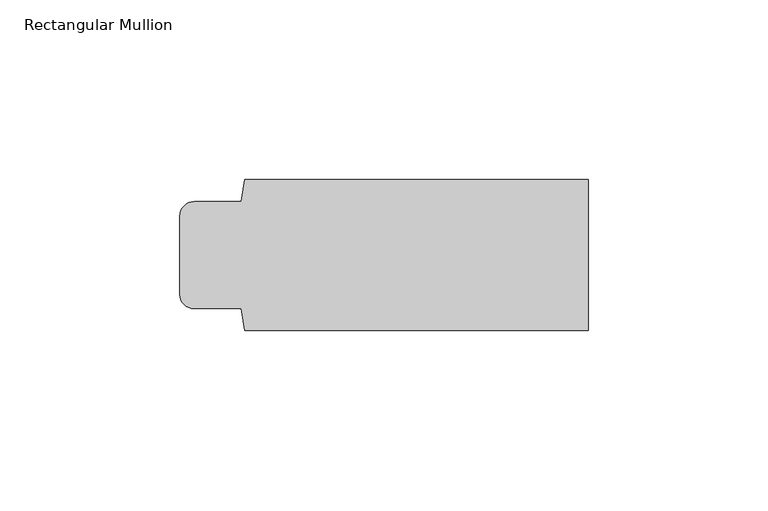
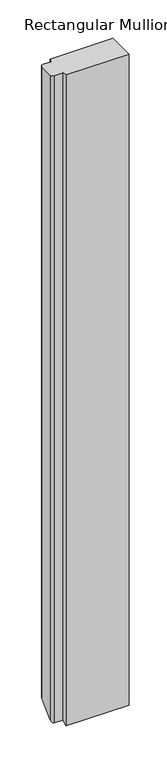
"""IFC4 building model written with IfcOpenShell, lengths in millimetres: member geometry, Rectangular Mullion."""

from ifc_helpers import new_model, si_unit, frame, origin, place, context, project, spatial, circle_curve, ellipse_curve, source, transform, mapped, element, save
from ifc_brep_helpers import plane_surface, cylinder_surface, advanced_brep


def rectangular_mullion_0cdfcd2c(model_context):
    return source(origin(), model_context, "Body", "AdvancedBrep", [
        advanced_brep(
        [(0.0, 21.0, 0.0), (-95.5, 21.0, 0.0), (-96.5, 14.9, 0.0), (-109.5, 14.9, 0.0), (-113.5, 10.9, 0.0), (-113.5, -10.9, 0.0), (-109.5, -14.9, 0.0), (-96.5, -14.9, 0.0), (-95.5, -21.0, 0.0), (0.0, -21.0, 0.0), (0.0, 21.0, -999.6034992), (-95.5, 21.0, -999.6034992), (-96.5, 14.9, -1005.7034992), (-109.5, 14.9, -1005.7034992), (-113.5, 10.9, -1009.7034992), (-113.5, -10.9, -1031.5034992), (-109.5, -14.9, -1035.5034992), (-96.5, -14.9, -1035.5034992), (-95.5, -21.0, -1041.6034992), (0.0, -21.0, -1041.6034992)],
        [
            (0, 1),
            (1, 2),
            (2, 3),
            (3, 4, circle_curve(frame((-109.5, 10.9, 0.0), z_axis=(0.0, 0.0, 1.0), x_axis=(-1.0, 0.0, 0.0)), 4.0)),
            (4, 5),
            (5, 6, circle_curve(frame((-109.5, -10.9, 0.0), z_axis=(0.0, 0.0, 1.0), x_axis=(0.0, -1.0, 0.0)), 4.0)),
            (6, 7),
            (7, 8),
            (8, 9),
            (9, 0),
            (0, 10),
            (10, 11),
            (11, 1),
            (11, 12),
            (12, 2),
            (12, 13),
            (13, 3),
            (13, 14, ellipse_curve(frame((-109.5, 10.9, -1009.7034992), z_axis=(0.0, -0.7071067811865476, 0.7071067811865476), x_axis=(0.0, 0.7071067811865476, 0.7071067811865474)), 5.6568542, 4.0)),
            (14, 4),
            (14, 15),
            (15, 5),
            (15, 16, ellipse_curve(frame((-109.5, -10.9, -1031.5034992), z_axis=(0.0, -0.7071067811865476, 0.7071067811865476), x_axis=(0.0, 0.7071067811865476, 0.7071067811865474)), 5.6568542, 4.0)),
            (16, 6),
            (16, 17),
            (17, 7),
            (17, 18),
            (18, 8),
            (18, 19),
            (19, 9),
            (19, 10),
        ],
        [
            plane_surface(frame((0.0, -114.0221908, 0.0), z_axis=(0.0, 0.0, 1.0), x_axis=(-1.0, 0.0, 0.0))),
            plane_surface(frame((0.0, 21.0, 0.0), z_axis=(0.0, 1.0, 0.0), x_axis=(0.0, 0.0, -1.0))),
            plane_surface(frame((-95.5, 21.0, 0.0), z_axis=(-0.9868276651053609, 0.16177502706753552, 0.0), x_axis=(0.0, 0.0, -1.0))),
            plane_surface(frame((-96.5, 14.9, 0.0), z_axis=(0.0, 1.0, 0.0), x_axis=(0.0, 0.0, -1.0))),
            cylinder_surface(frame((-109.5, 10.9, 0.0), z_axis=(0.0, 0.0, 1.0), x_axis=(-1.0, 0.0, 0.0)), 4.0),
            plane_surface(frame((-113.5, 10.9, 0.0), z_axis=(-1.0, 0.0, 0.0), x_axis=(0.0, 0.0, -1.0))),
            cylinder_surface(frame((-109.5, -10.9, 0.0), z_axis=(0.0, 0.0, 1.0), x_axis=(0.0, -1.0, 0.0)), 4.0),
            plane_surface(frame((-109.5, -14.9, 0.0), z_axis=(0.0, -1.0, 0.0), x_axis=(0.0, 0.0, -1.0))),
            plane_surface(frame((-96.5, -14.9, 0.0), z_axis=(-0.9868276651056599, -0.16177502706571165, 0.0), x_axis=(0.0, 0.0, -1.0))),
            plane_surface(frame((-95.5, -21.0, 0.0), z_axis=(0.0, -1.0, 0.0), x_axis=(0.0, 0.0, -1.0))),
            plane_surface(frame((0.0, -21.0, 0.0), z_axis=(1.0, 0.0, 0.0), x_axis=(0.0, 0.0, -1.0))),
            plane_surface(frame((-304.8, 0.0, -1020.6034992), z_axis=(0.0, 0.7071067811865476, -0.7071067811865476), x_axis=(0.0, 0.7071067811865476, 0.7071067811865476))),
        ],
        [
            (0, [[1, 2, 3, 4, 5, 6, 7, 8, 9, 10]]),
            (1, [[-1, 11, 12, 13]]),
            (2, [[-2, -13, 14, 15]]),
            (3, [[-3, -15, 16, 17]]),
            (4, [[-4, -17, 18, 19]]),
            (5, [[-5, -19, 20, 21]]),
            (6, [[-6, -21, 22, 23]]),
            (7, [[-7, -23, 24, 25]]),
            (8, [[-8, -25, 26, 27]]),
            (9, [[-9, -27, 28, 29]]),
            (10, [[-10, -29, 30, -11]]),
            (11, [[-30, -28, -26, -24, -22, -20, -18, -16, -14, -12]]),
        ],
    ),
    ])


if __name__ == "__main__":
    model = new_model("IFC4")
    model_context = context("Model", 3, world=origin())
    ifc_project = project(units=[si_unit("LENGTHUNIT", "METRE", prefix="MILLI")], contexts=[model_context])
    site = spatial("IfcSite", under=ifc_project)
    building = spatial("IfcBuilding", under=site)
    placement = place(None, origin())
    rectangular_mullion_shape = rectangular_mullion_0cdfcd2c(model_context)
    element("IfcMember", 1, ObjectType="Rectangular Mullion", at=placement, inside=building, context=model_context, shape_type="MappedRepresentation", body=[
        mapped(rectangular_mullion_shape, transform((0.0, 0.0, 0.0), x_axis=(1.0, 0.0, 0.0), y_axis=(0.0, 1.0, 0.0), z_axis=(0.0, 0.0, 1.0))),
    ])
    save(model, "model.ifc")
